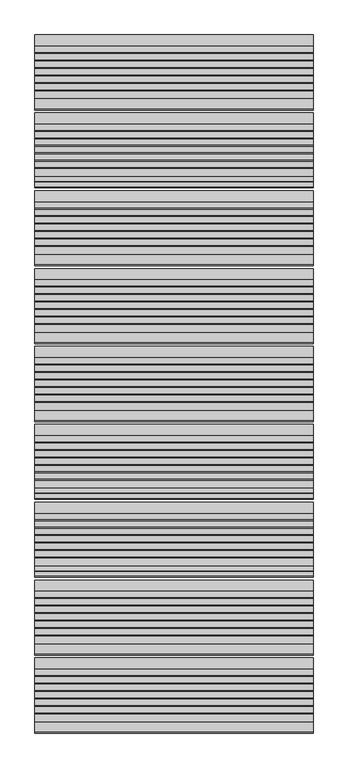
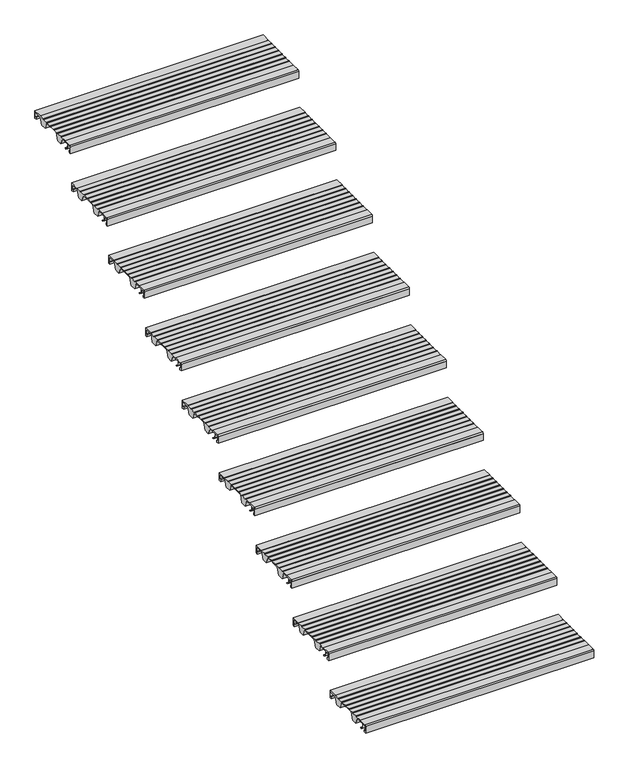
"""IFC4 building model written with IfcOpenShell, lengths in millimetres: stair flight geometry."""

from ifc_helpers import new_model, si_unit, point, frame, frame_2d, origin, place, context, project, spatial, polyline, circle_curve, trimmed, segment, composite_curve, outline, extrude, source, transform, mapped, element, save


def stair_flight_c8608cce(model_context):
    return source(origin(), model_context, "Body", "SweptSolid", [
        extrude(outline(composite_curve([segment(polyline([(-4715.7714581, 4122.0083372), (-4704.0121655, 4112.8608187), (-4700.5625929, 4112.8532161), (-4700.5684453, 4110.197748), (-4704.9259703, 4110.2073517), (-4718.2117943, 4120.5423544), (-4718.8689923, 4140.3419091), (-4735.6889024, 4140.3048394), (-4735.6889024, 4118.9532616), (-4729.7889347, 4118.9662647), (-4729.7889347, 4109.707616), (-4738.9832568, 4109.707616), (-4738.9832568, 4140.5882353)]), True, "CONTINUOUS"), segment(trimmed(circle_curve(frame_2d((-4733.9832568, 4140.5882353)), 5.0), [point((-4738.9832568, 4140.5882353))], [point((-4733.9832568, 4145.5882353))], False, "CARTESIAN"), True, "CONTINUOUS"), segment(polyline([(-4733.9832568, 4145.5882353), (-4699.2747035, 4145.5882353), (-4699.2747035, 4144.2062594), (-4669.2485475, 4144.1400841), (-4669.2485475, 4145.7289212), (-4667.213968, 4145.7289212), (-4667.213968, 4143.7846383), (-4642.3673917, 4143.7846383), (-4642.3673917, 4145.7289212), (-4640.3328122, 4145.7289212), (-4640.3328122, 4143.7846383), (-4615.4862358, 4143.7846383), (-4615.4862358, 4145.7289212), (-4613.4516563, 4145.7289212), (-4613.4516563, 4143.7846383), (-4588.60508, 4143.7846383), (-4588.60508, 4145.7289212), (-4586.5705005, 4145.7289212), (-4586.5705005, 4143.7846383), (-4561.7239241, 4143.7846383), (-4561.7239241, 4145.7289212), (-4559.6893446, 4145.7289212), (-4559.6893446, 4143.7846383), (-4534.852176, 4143.7846383), (-4534.852176, 4145.7289212), (-4532.8175965, 4145.7289212), (-4532.8175965, 4143.7846383), (-4507.9697223, 4143.7846383), (-4507.9697223, 4145.6741584), (-4468.9832568, 4145.5882353), (-4468.9832568, 4109.6873524), (-4478.1775789, 4109.707616), (-4478.1775789, 4118.9662647), (-4472.2776112, 4118.9532616), (-4472.2776112, 4140.3048394), (-4510.4991521, 4140.3890766), (-4521.2246336, 4109.8024883), (-4546.1164136, 4109.8573478), (-4559.1103611, 4141.063068), (-4629.7810763, 4141.2188207), (-4640.7051778, 4110.0658141), (-4665.5969579, 4110.1206736), (-4678.6696565, 4141.5155193), (-4699.2747035, 4141.5609312), (-4699.2747035, 4140.3850934), (-4716.3801784, 4140.3473943), (-4715.7714581, 4122.0083372)]), True, "CONTINUOUS")], self_intersect=False)), frame((-16322.7515248, 0.0, 0.0), z_axis=(1.0, 0.0, 0.0), x_axis=(0.0, 1.0, 0.0)), (0.0, 0.0, 1.0), 1000.0),
        extrude(outline(composite_curve([segment(polyline([(-4435.7714581, 4287.8318666), (-4424.0121655, 4278.6843481), (-4420.5625929, 4278.6767455), (-4420.5684453, 4276.0212774), (-4424.9259703, 4276.0308811), (-4438.2117943, 4286.3658838), (-4438.8689923, 4306.1654385), (-4455.6889024, 4306.1283688), (-4455.6889024, 4284.7767911), (-4449.7889347, 4284.7897941), (-4449.7889347, 4275.5311454), (-4458.9832568, 4275.5311454), (-4458.9832568, 4306.4117647)]), True, "CONTINUOUS"), segment(trimmed(circle_curve(frame_2d((-4453.9832568, 4306.4117647)), 5.0), [point((-4458.9832568, 4306.4117647))], [point((-4453.9832568, 4311.4117647))], False, "CARTESIAN"), True, "CONTINUOUS"), segment(polyline([(-4453.9832568, 4311.4117647), (-4419.2747035, 4311.4117647), (-4419.2747035, 4310.0297889), (-4389.2485475, 4309.9636136), (-4389.2485475, 4311.5524506), (-4387.213968, 4311.5524506), (-4387.213968, 4309.6081677), (-4362.3673917, 4309.6081677), (-4362.3673917, 4311.5524506), (-4360.3328122, 4311.5524506), (-4360.3328122, 4309.6081677), (-4335.4862358, 4309.6081677), (-4335.4862358, 4311.5524506), (-4333.4516563, 4311.5524506), (-4333.4516563, 4309.6081677), (-4308.60508, 4309.6081677), (-4308.60508, 4311.5524506), (-4306.5705005, 4311.5524506), (-4306.5705005, 4309.6081677), (-4281.7239241, 4309.6081677), (-4281.7239241, 4311.5524506), (-4279.6893446, 4311.5524506), (-4279.6893446, 4309.6081677), (-4254.852176, 4309.6081677), (-4254.852176, 4311.5524506), (-4252.8175965, 4311.5524506), (-4252.8175965, 4309.6081677), (-4227.9697223, 4309.6081677), (-4227.9697223, 4311.4976878), (-4188.9832568, 4311.4117647), (-4188.9832568, 4275.5108818), (-4198.1775789, 4275.5311454), (-4198.1775789, 4284.7897941), (-4192.2776112, 4284.7767911), (-4192.2776112, 4306.1283688), (-4230.4991521, 4306.2126061), (-4241.2246336, 4275.6260177), (-4266.1164136, 4275.6808772), (-4279.1103611, 4306.8865974), (-4349.7810763, 4307.0423501), (-4360.7051778, 4275.8893435), (-4385.5969579, 4275.944203), (-4398.6696565, 4307.3390487), (-4419.2747035, 4307.3844606), (-4419.2747035, 4306.2086228), (-4436.3801784, 4306.1709237), (-4435.7714581, 4287.8318666)]), True, "CONTINUOUS")], self_intersect=False)), frame((-16322.7515248, 0.0, 0.0), z_axis=(1.0, 0.0, 0.0), x_axis=(0.0, 1.0, 0.0)), (0.0, 0.0, 1.0), 1000.0),
        extrude(outline(composite_curve([segment(polyline([(-4155.7714581, 4453.655396), (-4144.0121655, 4444.5078775), (-4140.5625929, 4444.5002749), (-4140.5684453, 4441.8448068), (-4144.9259703, 4441.8544105), (-4158.2117943, 4452.1894132), (-4158.8689923, 4471.988968), (-4175.6889024, 4471.9518982), (-4175.6889024, 4450.6003205), (-4169.7889347, 4450.6133235), (-4169.7889347, 4441.3546748), (-4178.9832568, 4441.3546748), (-4178.9832568, 4472.2352941)]), True, "CONTINUOUS"), segment(trimmed(circle_curve(frame_2d((-4173.9832568, 4472.2352941)), 5.0), [point((-4178.9832568, 4472.2352941))], [point((-4173.9832568, 4477.2352941))], False, "CARTESIAN"), True, "CONTINUOUS"), segment(polyline([(-4173.9832568, 4477.2352941), (-4139.2747035, 4477.2352941), (-4139.2747035, 4475.8533183), (-4109.2485475, 4475.787143), (-4109.2485475, 4477.37598), (-4107.213968, 4477.37598), (-4107.213968, 4475.4316971), (-4082.3673917, 4475.4316971), (-4082.3673917, 4477.37598), (-4080.3328122, 4477.37598), (-4080.3328122, 4475.4316971), (-4055.4862358, 4475.4316971), (-4055.4862358, 4477.37598), (-4053.4516563, 4477.37598), (-4053.4516563, 4475.4316971), (-4028.60508, 4475.4316971), (-4028.60508, 4477.37598), (-4026.5705005, 4477.37598), (-4026.5705005, 4475.4316971), (-4001.7239241, 4475.4316971), (-4001.7239241, 4477.37598), (-3999.6893446, 4477.37598), (-3999.6893446, 4475.4316971), (-3974.852176, 4475.4316971), (-3974.852176, 4477.37598), (-3972.8175965, 4477.37598), (-3972.8175965, 4475.4316971), (-3947.9697223, 4475.4316971), (-3947.9697223, 4477.3212172), (-3908.9832568, 4477.2352941), (-3908.9832568, 4441.3344112), (-3918.1775789, 4441.3546748), (-3918.1775789, 4450.6133235), (-3912.2776112, 4450.6003205), (-3912.2776112, 4471.9518982), (-3950.4991521, 4472.0361355), (-3961.2246336, 4441.4495471), (-3986.1164136, 4441.5044067), (-3999.1103611, 4472.7101268), (-4069.7810763, 4472.8658795), (-4080.7051778, 4441.7128729), (-4105.5969579, 4441.7677324), (-4118.6696565, 4473.1625781), (-4139.2747035, 4473.2079901), (-4139.2747035, 4472.0321522), (-4156.3801784, 4471.9944531), (-4155.7714581, 4453.655396)]), True, "CONTINUOUS")], self_intersect=False)), frame((-16322.7515248, 0.0, 0.0), z_axis=(1.0, 0.0, 0.0), x_axis=(0.0, 1.0, 0.0)), (0.0, 0.0, 1.0), 1000.0),
        extrude(outline(composite_curve([segment(polyline([(-3875.7714581, 4619.4789255), (-3864.0121655, 4610.3314069), (-3860.5625929, 4610.3238043), (-3860.5684453, 4607.6683362), (-3864.9259703, 4607.6779399), (-3878.2117943, 4618.0129426), (-3878.8689923, 4637.8124974), (-3895.6889024, 4637.7754276), (-3895.6889024, 4616.4238499), (-3889.7889347, 4616.436853), (-3889.7889347, 4607.1782042), (-3898.9832568, 4607.1782042), (-3898.9832568, 4638.0588235)]), True, "CONTINUOUS"), segment(trimmed(circle_curve(frame_2d((-3893.9832568, 4638.0588235)), 5.0), [point((-3898.9832568, 4638.0588235))], [point((-3893.9832568, 4643.0588235))], False, "CARTESIAN"), True, "CONTINUOUS"), segment(polyline([(-3893.9832568, 4643.0588235), (-3859.2747035, 4643.0588235), (-3859.2747035, 4641.6768477), (-3829.2485475, 4641.6106724), (-3829.2485475, 4643.1995094), (-3827.213968, 4643.1995094), (-3827.213968, 4641.2552265), (-3802.3673917, 4641.2552265), (-3802.3673917, 4643.1995094), (-3800.3328122, 4643.1995094), (-3800.3328122, 4641.2552265), (-3775.4862358, 4641.2552265), (-3775.4862358, 4643.1995094), (-3773.4516563, 4643.1995094), (-3773.4516563, 4641.2552265), (-3748.60508, 4641.2552265), (-3748.60508, 4643.1995094), (-3746.5705005, 4643.1995094), (-3746.5705005, 4641.2552265), (-3721.7239241, 4641.2552265), (-3721.7239241, 4643.1995094), (-3719.6893446, 4643.1995094), (-3719.6893446, 4641.2552265), (-3694.852176, 4641.2552265), (-3694.852176, 4643.1995094), (-3692.8175965, 4643.1995094), (-3692.8175965, 4641.2552265), (-3667.9697223, 4641.2552265), (-3667.9697223, 4643.1447466), (-3628.9832568, 4643.0588235), (-3628.9832568, 4607.1579406), (-3638.1775789, 4607.1782042), (-3638.1775789, 4616.436853), (-3632.2776112, 4616.4238499), (-3632.2776112, 4637.7754276), (-3670.4991521, 4637.8596649), (-3681.2246336, 4607.2730765), (-3706.1164136, 4607.3279361), (-3719.1103611, 4638.5336562), (-3789.7810763, 4638.6894089), (-3800.7051778, 4607.5364023), (-3825.5969579, 4607.5912618), (-3838.6696565, 4638.9861076), (-3859.2747035, 4639.0315195), (-3859.2747035, 4637.8556816), (-3876.3801784, 4637.8179825), (-3875.7714581, 4619.4789255)]), True, "CONTINUOUS")], self_intersect=False)), frame((-16322.7515248, 0.0, 0.0), z_axis=(1.0, 0.0, 0.0), x_axis=(0.0, 1.0, 0.0)), (0.0, 0.0, 1.0), 1000.0),
        extrude(outline(composite_curve([segment(polyline([(-3595.7714581, 4785.3024549), (-3584.0121655, 4776.1549363), (-3580.5625929, 4776.1473337), (-3580.5684453, 4773.4918657), (-3584.9259703, 4773.5014693), (-3598.2117943, 4783.836472), (-3598.8689923, 4803.6360268), (-3615.6889024, 4803.598957), (-3615.6889024, 4782.2473793), (-3609.7889347, 4782.2603824), (-3609.7889347, 4773.0017336), (-3618.9832568, 4773.0017336), (-3618.9832568, 4803.8823529)]), True, "CONTINUOUS"), segment(trimmed(circle_curve(frame_2d((-3613.9832568, 4803.8823529)), 5.0), [point((-3618.9832568, 4803.8823529))], [point((-3613.9832568, 4808.8823529))], False, "CARTESIAN"), True, "CONTINUOUS"), segment(polyline([(-3613.9832568, 4808.8823529), (-3579.2747035, 4808.8823529), (-3579.2747035, 4807.5003771), (-3549.2485475, 4807.4342018), (-3549.2485475, 4809.0230388), (-3547.213968, 4809.0230388), (-3547.213968, 4807.0787559), (-3522.3673917, 4807.0787559), (-3522.3673917, 4809.0230388), (-3520.3328122, 4809.0230388), (-3520.3328122, 4807.0787559), (-3495.4862358, 4807.0787559), (-3495.4862358, 4809.0230388), (-3493.4516563, 4809.0230388), (-3493.4516563, 4807.0787559), (-3468.60508, 4807.0787559), (-3468.60508, 4809.0230388), (-3466.5705005, 4809.0230388), (-3466.5705005, 4807.0787559), (-3441.7239241, 4807.0787559), (-3441.7239241, 4809.0230388), (-3439.6893446, 4809.0230388), (-3439.6893446, 4807.0787559), (-3414.852176, 4807.0787559), (-3414.852176, 4809.0230388), (-3412.8175965, 4809.0230388), (-3412.8175965, 4807.0787559), (-3387.9697223, 4807.0787559), (-3387.9697223, 4808.9682761), (-3348.9832568, 4808.8823529), (-3348.9832568, 4772.9814701), (-3358.1775789, 4773.0017336), (-3358.1775789, 4782.2603824), (-3352.2776112, 4782.2473793), (-3352.2776112, 4803.598957), (-3390.4991521, 4803.6831943), (-3401.2246336, 4773.096606), (-3426.1164136, 4773.1514655), (-3439.1103611, 4804.3571856), (-3509.7810763, 4804.5129384), (-3520.7051778, 4773.3599317), (-3545.5969579, 4773.4147912), (-3558.6696565, 4804.809637), (-3579.2747035, 4804.8550489), (-3579.2747035, 4803.6792111), (-3596.3801784, 4803.6415119), (-3595.7714581, 4785.3024549)]), True, "CONTINUOUS")], self_intersect=False)), frame((-16322.7515248, 0.0, 0.0), z_axis=(1.0, 0.0, 0.0), x_axis=(0.0, 1.0, 0.0)), (0.0, 0.0, 1.0), 1000.0),
        extrude(outline(composite_curve([segment(polyline([(-3315.7714581, 4951.1259843), (-3304.0121655, 4941.9784657), (-3300.5625929, 4941.9708632), (-3300.5684453, 4939.3153951), (-3304.9259703, 4939.3249987), (-3318.2117943, 4949.6600014), (-3318.8689923, 4969.4595562), (-3335.6889024, 4969.4224864), (-3335.6889024, 4948.0709087), (-3329.7889347, 4948.0839118), (-3329.7889347, 4938.825263), (-3338.9832568, 4938.825263), (-3338.9832568, 4969.7058824)]), True, "CONTINUOUS"), segment(trimmed(circle_curve(frame_2d((-3333.9832568, 4969.7058824)), 5.0), [point((-3338.9832568, 4969.7058824))], [point((-3333.9832568, 4974.7058824))], False, "CARTESIAN"), True, "CONTINUOUS"), segment(polyline([(-3333.9832568, 4974.7058824), (-3299.2747035, 4974.7058824), (-3299.2747035, 4973.3239065), (-3269.2485475, 4973.2577312), (-3269.2485475, 4974.8465682), (-3267.213968, 4974.8465682), (-3267.213968, 4972.9022853), (-3242.3673917, 4972.9022853), (-3242.3673917, 4974.8465682), (-3240.3328122, 4974.8465682), (-3240.3328122, 4972.9022853), (-3215.4862358, 4972.9022853), (-3215.4862358, 4974.8465682), (-3213.4516563, 4974.8465682), (-3213.4516563, 4972.9022853), (-3188.60508, 4972.9022853), (-3188.60508, 4974.8465682), (-3186.5705005, 4974.8465682), (-3186.5705005, 4972.9022853), (-3161.7239241, 4972.9022853), (-3161.7239241, 4974.8465682), (-3159.6893446, 4974.8465682), (-3159.6893446, 4972.9022853), (-3134.852176, 4972.9022853), (-3134.852176, 4974.8465682), (-3132.8175965, 4974.8465682), (-3132.8175965, 4972.9022853), (-3107.9697223, 4972.9022853), (-3107.9697223, 4974.7918055), (-3068.9832568, 4974.7058824), (-3068.9832568, 4938.8049995), (-3078.1775789, 4938.825263), (-3078.1775789, 4948.0839118), (-3072.2776112, 4948.0709087), (-3072.2776112, 4969.4224864), (-3110.4991521, 4969.5067237), (-3121.2246336, 4938.9201354), (-3146.1164136, 4938.9749949), (-3159.1103611, 4970.180715), (-3229.7810763, 4970.3364678), (-3240.7051778, 4939.1834611), (-3265.5969579, 4939.2383207), (-3278.6696565, 4970.6331664), (-3299.2747035, 4970.6785783), (-3299.2747035, 4969.5027405), (-3316.3801784, 4969.4650413), (-3315.7714581, 4951.1259843)]), True, "CONTINUOUS")], self_intersect=False)), frame((-16322.7515248, 0.0, 0.0), z_axis=(1.0, 0.0, 0.0), x_axis=(0.0, 1.0, 0.0)), (0.0, 0.0, 1.0), 1000.0),
        extrude(outline(composite_curve([segment(polyline([(-3035.7714581, 5116.9495137), (-3024.0121655, 5107.8019951), (-3020.5625929, 5107.7943926), (-3020.5684453, 5105.1389245), (-3024.9259703, 5105.1485281), (-3038.2117943, 5115.4835308), (-3038.8689923, 5135.2830856), (-3055.6889024, 5135.2460158), (-3055.6889024, 5113.8944381), (-3049.7889347, 5113.9074412), (-3049.7889347, 5104.6487924), (-3058.9832568, 5104.6487924), (-3058.9832568, 5135.5294118)]), True, "CONTINUOUS"), segment(trimmed(circle_curve(frame_2d((-3053.9832568, 5135.5294118)), 5.0), [point((-3058.9832568, 5135.5294118))], [point((-3053.9832568, 5140.5294118))], False, "CARTESIAN"), True, "CONTINUOUS"), segment(polyline([(-3053.9832568, 5140.5294118), (-3019.2747035, 5140.5294118), (-3019.2747035, 5139.1474359), (-2989.2485475, 5139.0812606), (-2989.2485475, 5140.6700976), (-2987.213968, 5140.6700976), (-2987.213968, 5138.7258147), (-2962.3673917, 5138.7258147), (-2962.3673917, 5140.6700976), (-2960.3328122, 5140.6700976), (-2960.3328122, 5138.7258147), (-2935.4862358, 5138.7258147), (-2935.4862358, 5140.6700976), (-2933.4516563, 5140.6700976), (-2933.4516563, 5138.7258147), (-2908.60508, 5138.7258147), (-2908.60508, 5140.6700976), (-2906.5705005, 5140.6700976), (-2906.5705005, 5138.7258147), (-2881.7239241, 5138.7258147), (-2881.7239241, 5140.6700976), (-2879.6893446, 5140.6700976), (-2879.6893446, 5138.7258147), (-2854.852176, 5138.7258147), (-2854.852176, 5140.6700976), (-2852.8175965, 5140.6700976), (-2852.8175965, 5138.7258147), (-2827.9697223, 5138.7258147), (-2827.9697223, 5140.6153349), (-2788.9832568, 5140.5294118), (-2788.9832568, 5104.6285289), (-2798.1775789, 5104.6487924), (-2798.1775789, 5113.9074412), (-2792.2776112, 5113.8944381), (-2792.2776112, 5135.2460158), (-2830.4991521, 5135.3302531), (-2841.2246336, 5104.7436648), (-2866.1164136, 5104.7985243), (-2879.1103611, 5136.0042445), (-2949.7810763, 5136.1599972), (-2960.7051778, 5105.0069905), (-2985.5969579, 5105.0618501), (-2998.6696565, 5136.4566958), (-3019.2747035, 5136.5021077), (-3019.2747035, 5135.3262699), (-3036.3801784, 5135.2885708), (-3035.7714581, 5116.9495137)]), True, "CONTINUOUS")], self_intersect=False)), frame((-16322.7515248, 0.0, 0.0), z_axis=(1.0, 0.0, 0.0), x_axis=(0.0, 1.0, 0.0)), (0.0, 0.0, 1.0), 1000.0),
        extrude(outline(composite_curve([segment(polyline([(-2755.7714581, 5282.7730431), (-2744.0121655, 5273.6255246), (-2740.5625929, 5273.617922), (-2740.5684453, 5270.9624539), (-2744.9259703, 5270.9720575), (-2758.2117943, 5281.3070603), (-2758.8689923, 5301.106615), (-2775.6889024, 5301.0695452), (-2775.6889024, 5279.7179675), (-2769.7889347, 5279.7309706), (-2769.7889347, 5270.4723219), (-2778.9832568, 5270.4723219), (-2778.9832568, 5301.3529412)]), True, "CONTINUOUS"), segment(trimmed(circle_curve(frame_2d((-2773.9832568, 5301.3529412)), 5.0), [point((-2778.9832568, 5301.3529412))], [point((-2773.9832568, 5306.3529412))], False, "CARTESIAN"), True, "CONTINUOUS"), segment(polyline([(-2773.9832568, 5306.3529412), (-2739.2747035, 5306.3529412), (-2739.2747035, 5304.9709653), (-2709.2485475, 5304.90479), (-2709.2485475, 5306.4936271), (-2707.213968, 5306.4936271), (-2707.213968, 5304.5493441), (-2682.3673917, 5304.5493441), (-2682.3673917, 5306.4936271), (-2680.3328122, 5306.4936271), (-2680.3328122, 5304.5493441), (-2655.4862358, 5304.5493441), (-2655.4862358, 5306.4936271), (-2653.4516563, 5306.4936271), (-2653.4516563, 5304.5493441), (-2628.60508, 5304.5493441), (-2628.60508, 5306.4936271), (-2626.5705005, 5306.4936271), (-2626.5705005, 5304.5493441), (-2601.7239241, 5304.5493441), (-2601.7239241, 5306.4936271), (-2599.6893446, 5306.4936271), (-2599.6893446, 5304.5493441), (-2574.852176, 5304.5493441), (-2574.852176, 5306.4936271), (-2572.8175965, 5306.4936271), (-2572.8175965, 5304.5493441), (-2547.9697223, 5304.5493441), (-2547.9697223, 5306.4388643), (-2508.9832568, 5306.3529412), (-2508.9832568, 5270.4520583), (-2518.1775789, 5270.4723219), (-2518.1775789, 5279.7309706), (-2512.2776112, 5279.7179675), (-2512.2776112, 5301.0695452), (-2550.4991521, 5301.1537825), (-2561.2246336, 5270.5671942), (-2586.1164136, 5270.6220537), (-2599.1103611, 5301.8277739), (-2669.7810763, 5301.9835266), (-2680.7051778, 5270.8305199), (-2705.5969579, 5270.8853795), (-2718.6696565, 5302.2802252), (-2739.2747035, 5302.3256371), (-2739.2747035, 5301.1497993), (-2756.3801784, 5301.1121002), (-2755.7714581, 5282.7730431)]), True, "CONTINUOUS")], self_intersect=False)), frame((-16322.7515248, 0.0, 0.0), z_axis=(1.0, 0.0, 0.0), x_axis=(0.0, 1.0, 0.0)), (0.0, 0.0, 1.0), 1000.0),
        extrude(outline(composite_curve([segment(polyline([(-2475.7714581, 5448.5965725), (-2464.0121655, 5439.449054), (-2460.5625929, 5439.4414514), (-2460.5684453, 5436.7859833), (-2464.9259703, 5436.7955869), (-2478.2117943, 5447.1305897), (-2478.8689923, 5466.9301444), (-2495.6889024, 5466.8930747), (-2495.6889024, 5445.5414969), (-2489.7889347, 5445.5545), (-2489.7889347, 5436.2958513), (-2498.9832568, 5436.2958513), (-2498.9832568, 5467.1764706)]), True, "CONTINUOUS"), segment(trimmed(circle_curve(frame_2d((-2493.9832568, 5467.1764706)), 5.0), [point((-2498.9832568, 5467.1764706))], [point((-2493.9832568, 5472.1764706))], False, "CARTESIAN"), True, "CONTINUOUS"), segment(polyline([(-2493.9832568, 5472.1764706), (-2459.2747035, 5472.1764706), (-2459.2747035, 5470.7944947), (-2429.2485475, 5470.7283194), (-2429.2485475, 5472.3171565), (-2427.213968, 5472.3171565), (-2427.213968, 5470.3728736), (-2402.3673917, 5470.3728736), (-2402.3673917, 5472.3171565), (-2400.3328122, 5472.3171565), (-2400.3328122, 5470.3728736), (-2375.4862358, 5470.3728736), (-2375.4862358, 5472.3171565), (-2373.4516563, 5472.3171565), (-2373.4516563, 5470.3728736), (-2348.60508, 5470.3728736), (-2348.60508, 5472.3171565), (-2346.5705005, 5472.3171565), (-2346.5705005, 5470.3728736), (-2321.7239241, 5470.3728736), (-2321.7239241, 5472.3171565), (-2319.6893446, 5472.3171565), (-2319.6893446, 5470.3728736), (-2294.852176, 5470.3728736), (-2294.852176, 5472.3171565), (-2292.8175965, 5472.3171565), (-2292.8175965, 5470.3728736), (-2267.9697223, 5470.3728736), (-2267.9697223, 5472.2623937), (-2228.9832568, 5472.1764706), (-2228.9832568, 5436.2755877), (-2238.1775789, 5436.2958513), (-2238.1775789, 5445.5545), (-2232.2776112, 5445.5414969), (-2232.2776112, 5466.8930747), (-2270.4991521, 5466.9773119), (-2281.2246336, 5436.3907236), (-2306.1164136, 5436.4455831), (-2319.1103611, 5467.6513033), (-2389.7810763, 5467.807056), (-2400.7051778, 5436.6540494), (-2425.5969579, 5436.7089089), (-2438.6696565, 5468.1037546), (-2459.2747035, 5468.1491665), (-2459.2747035, 5466.9733287), (-2476.3801784, 5466.9356296), (-2475.7714581, 5448.5965725)]), True, "CONTINUOUS")], self_intersect=False)), frame((-16322.7515248, 0.0, 0.0), z_axis=(1.0, 0.0, 0.0), x_axis=(0.0, 1.0, 0.0)), (0.0, 0.0, 1.0), 1000.0),
    ])


if __name__ == "__main__":
    model = new_model("IFC4")
    model_context = context("Model", 3, world=origin())
    ifc_project = project(units=[si_unit("LENGTHUNIT", "METRE", prefix="MILLI")], contexts=[model_context])
    site = spatial("IfcSite", under=ifc_project)
    building = spatial("IfcBuilding", under=site)
    placement = place(None, origin())
    stair_flight_shape = stair_flight_c8608cce(model_context)
    element("IfcStairFlight", 1, at=placement, inside=building, context=model_context, shape_type="MappedRepresentation", body=[
        mapped(stair_flight_shape, transform((0.0, 0.0, 0.0), x_axis=(1.0, 0.0, 0.0), y_axis=(0.0, 1.0, 0.0), z_axis=(0.0, 0.0, 1.0))),
    ])
    save(model, "model.ifc")
